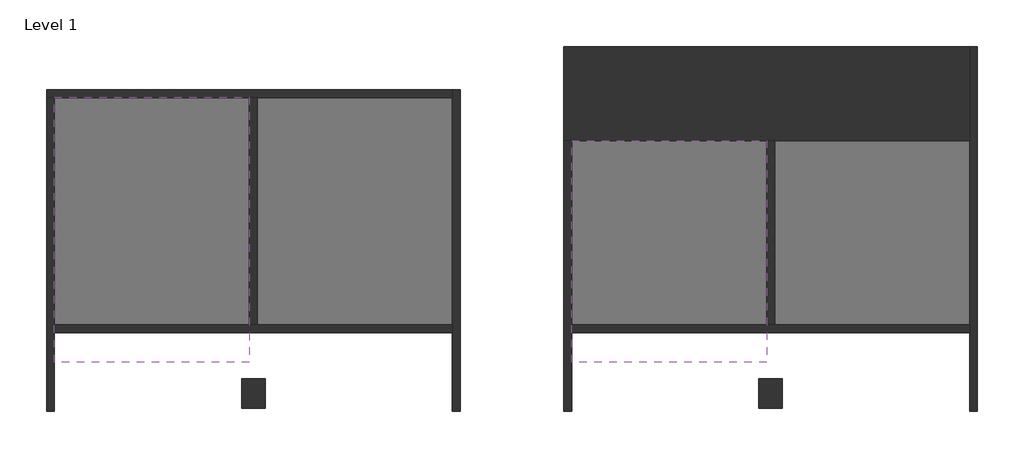
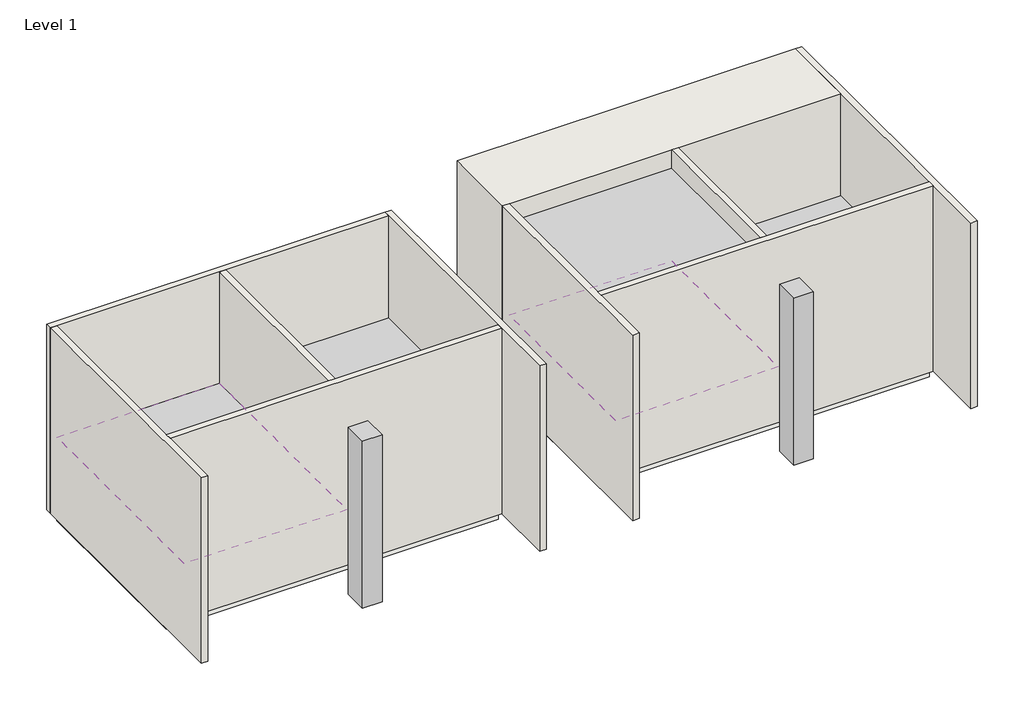
# One storey: 10 walls, 4 proxies, 2 columns, 2 coverings, 2 slabs.
"""IFC4 building model written with IfcOpenShell, lengths in millimetres."""

import ifcopenshell
import ifcopenshell.guid

model = None  # the IFC model being written
_history = None  # IfcOwnerHistory: only IFC2X3 demands one
_inside = {}  # id of a spatial element -> (the spatial element, [elements in it])
_under = {}  # id of a project, library or spatial element -> (it, [spatial elements below it])
_declared = {}  # id of a project -> (the project, [libraries it declares])
_typed = {}  # id of a type object -> (the type object, [elements of that type])
_made_of = {}  # id of a material, layer set ... -> (it, [elements and type objects made of it])


def new_model(schema):
    """Start an empty IFC model of exactly this schema.

    Asked for "IFC4X3", IfcOpenShell would pick the latest addendum, in which some entities
    have other attributes; the version numbers below select the first issue.
    IFC2X3 requires an IfcOwnerHistory on every rooted entity: one is made here for all.
    """
    global model, _history
    if schema == "IFC4X3":
        model = ifcopenshell.file(schema_version=(4, 3, 0, 0))
    else:
        model = ifcopenshell.file(schema=schema)
    _inside.clear()
    _under.clear()
    _declared.clear()
    _typed.clear()
    _made_of.clear()
    _history = None
    if model.schema == "IFC2X3":
        org = make("IfcOrganization", Name="unknown")
        user = make(
            "IfcPersonAndOrganization",
            ThePerson=make("IfcPerson", FamilyName="unknown"),
            TheOrganization=org,
        )
        app = make(
            "IfcApplication",
            ApplicationDeveloper=org,
            Version="unknown",
            ApplicationFullName="unknown",
            ApplicationIdentifier="unknown",
        )
        _history = make(
            "IfcOwnerHistory",
            OwningUser=user,
            OwningApplication=app,
            ChangeAction="ADDED",
            CreationDate=0,
        )
    return model


def make(cls, **values):
    """One entity of the class cls with the attributes given. An attribute that is None is left unset."""
    return model.create_entity(
        cls, **{name: value for name, value in values.items() if value is not None}
    )


def rooted(cls, **values):
    """An entity with a GlobalId (a new one), such as an element, a storey or a relation."""
    return make(cls, GlobalId=ifcopenshell.guid.new(), OwnerHistory=_history, **values)


def si_unit(unit_type, name, prefix=None):
    """IfcSIUnit, for example si_unit("LENGTHUNIT", "METRE", prefix="MILLI")."""
    return make("IfcSIUnit", UnitType=unit_type, Prefix=prefix, Name=name)


def assignment(units):
    """IfcUnitAssignment: the units of a project."""
    return None if units is None else make("IfcUnitAssignment", Units=units)


def point(xyz):
    """IfcCartesianPoint."""
    return None if xyz is None else make("IfcCartesianPoint", Coordinates=xyz)


def direction(xyz):
    """IfcDirection."""
    return None if xyz is None else make("IfcDirection", DirectionRatios=xyz)


def frame(location, z_axis=None, x_axis=None):
    """IfcAxis2Placement3D, a coordinate frame: its origin and axes. An axis left out is left unset."""
    return make(
        "IfcAxis2Placement3D",
        Location=point(location),
        Axis=direction(z_axis),
        RefDirection=direction(x_axis),
    )


def origin():
    """The frame at (0, 0, 0) with its axes left unset."""
    return frame((0.0, 0.0, 0.0))


def origin_with_axes():
    """The frame at (0, 0, 0) with the z axis (0, 0, 1) and the x axis (1, 0, 0) written out."""
    return frame((0.0, 0.0, 0.0), z_axis=(0.0, 0.0, 1.0), x_axis=(1.0, 0.0, 0.0))


def place(relative_to, where):
    """IfcLocalPlacement: puts the frame where relative to a parent placement (None: the world)."""
    return make(
        "IfcLocalPlacement", PlacementRelTo=relative_to, RelativePlacement=where
    )


def context(
    kind, dimensions, precision=None, world=None, true_north=None, identifier=None
):
    """IfcGeometricRepresentationContext, for example the 3D "Model" context."""
    return make(
        "IfcGeometricRepresentationContext",
        ContextIdentifier=identifier,
        ContextType=kind,
        CoordinateSpaceDimension=dimensions,
        Precision=precision,
        WorldCoordinateSystem=world,
        TrueNorth=true_north,
    )


def project(units=None, contexts=None):
    """IfcProject with its units and contexts."""
    return rooted(
        "IfcProject",
        Name="project",
        RepresentationContexts=contexts,
        UnitsInContext=assignment(units),
    )


def spatial(cls, under=None, at=None, **own):
    """A site, building, storey or space (cls), placed at a placement, below another one or the project."""
    s = rooted(cls, ObjectPlacement=at, **own)
    if under is not None:
        _under.setdefault(under.id(), (under, []))[1].append(s)
    return s


def polyline(points):
    """IfcPolyline through the points."""
    return make("IfcPolyline", Points=[point(p) for p in points])


def outline(outer, holes=None, kind="AREA"):
    """IfcArbitraryClosedProfileDef: a profile drawn as a closed curve; with holes, ...WithVoids."""
    if holes is None:
        return make("IfcArbitraryClosedProfileDef", ProfileType=kind, OuterCurve=outer)
    return make(
        "IfcArbitraryProfileDefWithVoids",
        ProfileType=kind,
        OuterCurve=outer,
        InnerCurves=holes,
    )


def extrude(swept, where, along, depth):
    """IfcExtrudedAreaSolid: the profile swept, set in the frame where, extruded along a direction by depth."""
    return make(
        "IfcExtrudedAreaSolid",
        SweptArea=swept,
        Position=where,
        ExtrudedDirection=direction(along),
        Depth=depth,
    )


def faces_of(points, faces, orient=None, outer=None):
    """IfcFace entities. A face is a list of loops; a loop is a list of indices into points, from 0.

    orient and outer hold one flag for each loop. By default every Orientation is true, the
    first loop of a face is its IfcFaceOuterBound and the others are IfcFaceBound.
    """
    made = []
    for i, loops in enumerate(faces):
        bounds = []
        for j, loop in enumerate(loops):
            is_outer = j == 0 if outer is None else outer[i][j]
            bounds.append(
                make(
                    "IfcFaceOuterBound" if is_outer else "IfcFaceBound",
                    Bound=make("IfcPolyLoop", Polygon=[points[k] for k in loop]),
                    Orientation=True if orient is None else orient[i][j],
                )
            )
        made.append(make("IfcFace", Bounds=bounds))
    return made


def faceted_brep(points, faces, orient=None, outer=None, voids=None):
    """IfcFacetedBrep: a solid bounded by flat faces; with voids (closed shells), ...WithVoids."""
    shared = [point(p) for p in points]
    hull = make("IfcClosedShell", CfsFaces=faces_of(shared, faces, orient, outer))
    if voids is None:
        return make("IfcFacetedBrep", Outer=hull)
    return make(
        "IfcFacetedBrepWithVoids",
        Outer=hull,
        Voids=[
            make(cls, CfsFaces=faces_of(shared, fs, o, b)) for cls, fs, o, b in voids
        ],
    )


def shape(context_of_items, identifier, shape_type, items):
    """IfcShapeRepresentation: the items that make up one representation, for example the "Body"."""
    return make(
        "IfcShapeRepresentation",
        ContextOfItems=context_of_items,
        RepresentationIdentifier=identifier,
        RepresentationType=shape_type,
        Items=items,
    )


def source(mapping_origin, context_of_items, identifier, shape_type, items):
    """IfcRepresentationMap: a shape defined once, which mapped items show again and again."""
    return make(
        "IfcRepresentationMap",
        MappingOrigin=mapping_origin,
        MappedRepresentation=shape(context_of_items, identifier, shape_type, items),
    )


def transform(
    local_origin,
    x_axis=None,
    y_axis=None,
    z_axis=None,
    scale=None,
    scale2=None,
    scale3=None,
    uniform=True,
):
    """IfcCartesianTransformationOperator3D, or its non-uniform kind. x_axis, y_axis, z_axis: its Axis1, 2, 3."""
    if uniform:
        return make(
            "IfcCartesianTransformationOperator3D",
            Axis1=direction(x_axis),
            Axis2=direction(y_axis),
            LocalOrigin=point(local_origin),
            Scale=scale,
            Axis3=direction(z_axis),
        )
    return make(
        "IfcCartesianTransformationOperator3DnonUniform",
        Axis1=direction(x_axis),
        Axis2=direction(y_axis),
        LocalOrigin=point(local_origin),
        Scale=scale,
        Axis3=direction(z_axis),
        Scale2=scale2,
        Scale3=scale3,
    )


def mapped(mapping_source, mapping_target):
    """IfcMappedItem: shows the shape of a source again, moved by a transform."""
    return make(
        "IfcMappedItem", MappingSource=mapping_source, MappingTarget=mapping_target
    )


def made_of(thing, what):
    """Note that an element or type object is made of a material, layer set ...; save() writes the relation."""
    if what is not None:
        _made_of.setdefault(what.id(), (what, []))[1].append(thing)
    return thing


def element(
    cls,
    number,
    at=None,
    inside=None,
    cuts=None,
    type_object=None,
    material=None,
    context=None,
    identifier="Body",
    shape_type=None,
    held_by="IfcProductDefinitionShape",
    body=None,
    shapes=None,
    **own,
):
    """One element of the class cls, such as IfcWall. Its Tag is "e" and its number.

    at: its placement. inside: the storey or other place that contains it. cuts: it is an
    opening in that element (IfcRelVoidsElement). A single representation is given by context,
    identifier, shape_type and body (its items); several are given by shapes. held_by: the class
    of the entity that holds the representations. save() writes the other relations.
    """
    e = rooted(cls, Tag="e%d" % number, ObjectPlacement=at, **own)
    if body is not None:
        shapes = [shape(context, identifier, shape_type, body)]
    if shapes is not None:
        e.Representation = make(held_by, Representations=shapes)
    if inside is not None:
        _inside.setdefault(inside.id(), (inside, []))[1].append(e)
    if cuts is not None:
        rooted(
            "IfcRelVoidsElement", RelatingBuildingElement=cuts, RelatedOpeningElement=e
        )
    if type_object is not None:
        _typed.setdefault(type_object.id(), (type_object, []))[1].append(e)
    return made_of(e, material)


def aggregate(whole, parts):
    """IfcRelAggregates: a whole, such as a stair, and the parts it consists of."""
    return rooted("IfcRelAggregates", RelatingObject=whole, RelatedObjects=parts)


def save(model, path):
    """Write the relations noted so far, then the file.

    IfcRelAggregates (storeys below a building ...), IfcRelContainedInSpatialStructure (elements
    in a storey), IfcRelDefinesByType, IfcRelAssociatesMaterial and IfcRelDeclares: one each for
    every whole, place, type object, material and project.
    """
    for whole, parts in _under.values():
        aggregate(whole, parts)
    for where, things in _inside.values():
        rooted(
            "IfcRelContainedInSpatialStructure",
            RelatedElements=things,
            RelatingStructure=where,
        )
    for kind, things in _typed.values():
        rooted("IfcRelDefinesByType", RelatedObjects=things, RelatingType=kind)
    for what, things in _made_of.values():
        rooted("IfcRelAssociatesMaterial", RelatedObjects=things, RelatingMaterial=what)
    for by, libraries in _declared.values():
        rooted("IfcRelDeclares", RelatingContext=by, RelatedDefinitions=libraries)
    model.write(path)


def concrete_rectangular_column_24_x_30_e770feb8(model_context):
    return source(origin(), model_context, "Body", "SweptSolid", [
        extrude(outline(polyline([(304.8, 381.0), (304.8, -381.0), (-304.8, -381.0), (-304.8, 381.0), (304.8, 381.0)])), origin_with_axes(), (0.0, 0.0, 1.0), 5486.4),
    ])


model = new_model("IFC4")

# Units and contexts
model_context = context("Model", 3, world=origin())
ifc_project = project(units=[si_unit("LENGTHUNIT", "METRE", prefix="MILLI")], contexts=[model_context])

# Site, building, storey
site = spatial("IfcSite", under=ifc_project)
building = spatial("IfcBuilding", under=site)
storey = spatial("IfcBuildingStorey", under=building, Name="Level 1", Elevation=0.0)

# Proxies
placement = place(None, origin())
element("IfcBuildingElementProxy", 1, Name="Mass", at=placement, inside=storey, context=model_context, shape_type="SweptSolid", body=[
    extrude(outline(polyline([(7.7511165, 4769.3346961), (5062.3511165, 4769.3346961), (5062.3511165, -1123.4653039), (7.7511165, -1123.4653039), (7.7511165, 4769.3346961)])), origin_with_axes(), (0.0, 0.0, 1.0), 2743.2),
])
element("IfcBuildingElementProxy", 2, Name="Mass", at=placement, inside=storey, context=model_context, shape_type="SweptSolid", body=[
    extrude(outline(polyline([(-5250.0488835, 4769.3346961), (-195.4488835, 4769.3346961), (-195.4488835, -1123.4653039), (-5250.0488835, -1123.4653039), (-5250.0488835, 4769.3346961)])), origin_with_axes(), (0.0, 0.0, 1.0), 2438.4),
])
element("IfcBuildingElementProxy", 3, Name="Mass", at=placement, inside=storey, context=model_context, shape_type="SweptSolid", body=[
    extrude(outline(polyline([(8161.1511165, 3651.7346961), (13215.7511165, 3651.7346961), (13215.7511165, -1123.4653039), (8161.1511165, -1123.4653039), (8161.1511165, 3651.7346961)])), origin_with_axes(), (0.0, 0.0, 1.0), 5486.4),
])
element("IfcBuildingElementProxy", 4, Name="Mass", at=placement, inside=storey, context=model_context, shape_type="SweptSolid", body=[
    extrude(outline(polyline([(13418.9511165, 3651.7346961), (18473.5511165, 3651.7346961), (18473.5511165, -1123.4653039), (13418.9511165, -1123.4653039), (13418.9511165, 3651.7346961)])), origin_with_axes(), (0.0, 0.0, 1.0), 2743.2),
])

# Columns
concrete_rectangular_column_24_x_30_shape = concrete_rectangular_column_24_x_30_e770feb8(model_context)
element("IfcColumn", 5, ObjectType="Concrete-Rectangular-Column : 24 x 30", at=placement, inside=storey, context=model_context, shape_type="MappedRepresentation", body=[
    mapped(concrete_rectangular_column_24_x_30_shape, transform((-93.8488835, -2901.4653039, 0.0), x_axis=(1.0, 0.0, 0.0), y_axis=(0.0, 1.0, 0.0), z_axis=(0.0, 0.0, 1.0))),
])
element("IfcColumn", 6, ObjectType="Concrete-Rectangular-Column : 24 x 30", at=placement, inside=storey, context=model_context, shape_type="MappedRepresentation", body=[
    mapped(concrete_rectangular_column_24_x_30_shape, transform((13317.3511165, -2901.4653039, 0.0), x_axis=(1.0, 0.0, 0.0), y_axis=(0.0, 1.0, 0.0), z_axis=(0.0, 0.0, 1.0))),
])

# Coverings
element("IfcCovering", 7, ObjectType="2' x 4' ACT System", at=placement, inside=storey, context=model_context, shape_type="SweptSolid", body=[
    extrude(outline(polyline([(-195.4488835, 4769.3346961), (-195.4488835, -2088.6653039), (-5250.0488835, -2088.6653039), (-5250.0488835, 4769.3346961), (-195.4488835, 4769.3346961)])), frame((0.0, 0.0, 2438.4), z_axis=(0.0, 0.0, 1.0), x_axis=(1.0, 0.0, 0.0)), (0.0, 0.0, 1.0), 57.15),
])
element("IfcCovering", 8, ObjectType="2' x 4' ACT System", at=placement, inside=storey, context=model_context, shape_type="SweptSolid", body=[
    extrude(outline(polyline([(13215.7511165, 3651.7346961), (13215.7511165, -2088.6653039), (8161.1511165, -2088.6653039), (8161.1511165, 3651.7346961), (13215.7511165, 3651.7346961)])), frame((0.0, 0.0, 2438.4), z_axis=(0.0, 0.0, 1.0), x_axis=(1.0, 0.0, 0.0)), (0.0, 0.0, 1.0), 57.15),
])

# Slabs
element("IfcSlab", 9, ObjectType="Generic - 12\"", at=placement, inside=storey, context=model_context, shape_type="SweptSolid", body=[
    extrude(outline(polyline([(5062.3511165, 4769.3346961), (5062.3511165, -1123.4653039), (-5250.0488835, -1123.4653039), (-5250.0488835, 4769.3346961), (5062.3511165, 4769.3346961)])), frame((0.0, 0.0, -304.8), z_axis=(0.0, 0.0, 1.0), x_axis=(1.0, 0.0, 0.0)), (0.0, 0.0, 1.0), 304.8),
])
element("IfcSlab", 10, ObjectType="Generic - 12\"", at=placement, inside=storey, context=model_context, shape_type="SweptSolid", body=[
    extrude(outline(polyline([(18473.5511165, 3651.7346961), (18473.5511165, -1123.4653039), (8161.1511165, -1123.4653039), (8161.1511165, 3651.7346961), (18473.5511165, 3651.7346961)])), frame((0.0, 0.0, -304.8), z_axis=(0.0, 0.0, 1.0), x_axis=(1.0, 0.0, 0.0)), (0.0, 0.0, 1.0), 304.8),
])

# Walls
element("IfcWall", 11, ObjectType="Generic - 8\"", at=placement, inside=storey, context=model_context, shape_type="Brep", body=[
    faceted_brep([(-5453.2488835, 4769.3346961, 0.0), (-5250.0488835, 4769.3346961, 0.0), (-195.4488835, 4769.3346961, 0.0), (7.7511165, 4769.3346961, 0.0), (5062.3511165, 4769.3346961, 0.0), (5062.3511165, 4769.3346961, 6096.0), (7.7511165, 4769.3346961, 6096.0), (-195.4488835, 4769.3346961, 6096.0), (-5250.0488835, 4769.3346961, 6096.0), (-5453.2488835, 4769.3346961, 6096.0), (-5453.2488835, 4972.5346961, 0.0), (-5453.2488835, 4972.5346961, 6096.0), (5062.3511165, 4972.5346961, 6096.0), (5062.3511165, 4972.5346961, 0.0)], [[[0, 1, 2, 3, 4, 5, 6, 7, 8, 9]], [[10, 11, 12, 13]], [[4, 3, 2, 1, 0, 10, 13]], [[9, 8, 7, 6, 5, 12, 11]], [[0, 9, 11, 10]], [[5, 4, 13, 12]]]),
])
element("IfcWall", 12, ObjectType="Generic - 8\"", at=placement, inside=storey, context=model_context, shape_type="Brep", body=[
    faceted_brep([(-5250.0488835, -3358.6653039, 0.0), (-5250.0488835, -1326.6653039, 0.0), (-5250.0488835, -1123.4653039, 0.0), (-5250.0488835, 4769.3346961, 0.0), (-5250.0488835, 4769.3346961, 6096.0), (-5250.0488835, -1123.4653039, 6096.0), (-5250.0488835, -1326.6653039, 6096.0), (-5250.0488835, -3358.6653039, 6096.0), (-5453.2488835, -3358.6653039, 0.0), (-5453.2488835, -3358.6653039, 6096.0), (-5453.2488835, 4769.3346961, 6096.0), (-5453.2488835, 4769.3346961, 0.0)], [[[0, 1, 2, 3, 4, 5, 6, 7]], [[8, 9, 10, 11]], [[3, 2, 1, 0, 8, 11]], [[7, 6, 5, 4, 10, 9]], [[0, 7, 9, 8]], [[4, 3, 11, 10]]]),
])
element("IfcWall", 13, ObjectType="Generic - 8\"", at=placement, inside=storey, context=model_context, shape_type="Brep", body=[
    faceted_brep([(5062.3511165, -1123.4653039, 0.0), (7.7511165, -1123.4653039, 0.0), (-195.4488835, -1123.4653039, 0.0), (-5250.0488835, -1123.4653039, 0.0), (-5250.0488835, -1123.4653039, 6096.0), (-195.4488835, -1123.4653039, 6096.0), (7.7511165, -1123.4653039, 6096.0), (5062.3511165, -1123.4653039, 6096.0), (5062.3511165, -1326.6653039, 0.0), (5062.3511165, -1326.6653039, 6096.0), (-5250.0488835, -1326.6653039, 6096.0), (-5250.0488835, -1326.6653039, 0.0)], [[[0, 1, 2, 3, 4, 5, 6, 7]], [[8, 9, 10, 11]], [[3, 2, 1, 0, 8, 11]], [[7, 6, 5, 4, 10, 9]], [[4, 3, 11, 10]], [[0, 7, 9, 8]]]),
])
element("IfcWall", 14, ObjectType="Generic - 8\"", at=placement, inside=storey, context=model_context, shape_type="Brep", body=[
    faceted_brep([(5062.3511165, 4972.5346961, 0.0), (5062.3511165, 4769.3346961, 0.0), (5062.3511165, -1123.4653039, 0.0), (5062.3511165, -1326.6653039, 0.0), (5062.3511165, -3358.6653039, 0.0), (5062.3511165, -3358.6653039, 6096.0), (5062.3511165, -1326.6653039, 6096.0), (5062.3511165, -1123.4653039, 6096.0), (5062.3511165, 4769.3346961, 6096.0), (5062.3511165, 4972.5346961, 6096.0), (5265.5511165, 4972.5346961, 0.0), (5265.5511165, 4972.5346961, 6096.0), (5265.5511165, -3358.6653039, 6096.0), (5265.5511165, -3358.6653039, 0.0)], [[[0, 1, 2, 3, 4, 5, 6, 7, 8, 9]], [[10, 11, 12, 13]], [[4, 3, 2, 1, 0, 10, 13]], [[5, 4, 13, 12]], [[9, 8, 7, 6, 5, 12, 11]], [[0, 9, 11, 10]]]),
])
element("IfcWall", 15, ObjectType="Generic - 8\"", at=placement, inside=storey, context=model_context, shape_type="SweptSolid", body=[
    extrude(outline(polyline([(-195.4488835, -1123.4653039), (-195.4488835, 4769.3346961), (7.7511165, 4769.3346961), (7.7511165, -1123.4653039), (-195.4488835, -1123.4653039)])), origin_with_axes(), (0.0, 0.0, 1.0), 6096.0),
])
element("IfcWall", 16, ObjectType="Generic - 8\"", at=placement, inside=storey, context=model_context, shape_type="Brep", body=[
    faceted_brep([(8161.1511165, -3358.6653039, 0.0), (8161.1511165, -1326.6653039, 0.0), (8161.1511165, -1123.4653039, 0.0), (8161.1511165, 3651.7346961, 0.0), (8161.1511165, 3651.7346961, 6096.0), (8161.1511165, -1123.4653039, 6096.0), (8161.1511165, -1326.6653039, 6096.0), (8161.1511165, -3358.6653039, 6096.0), (7957.9511165, -3358.6653039, 0.0), (7957.9511165, -3358.6653039, 6096.0), (7957.9511165, 3651.7346961, 6096.0), (7957.9511165, 3651.7346961, 0.0)], [[[0, 1, 2, 3, 4, 5, 6, 7]], [[8, 9, 10, 11]], [[3, 2, 1, 0, 8, 11]], [[7, 6, 5, 4, 10, 9]], [[0, 7, 9, 8]], [[4, 3, 11, 10]]]),
])
element("IfcWall", 17, ObjectType="Generic - 8\"", at=placement, inside=storey, context=model_context, shape_type="Brep", body=[
    faceted_brep([(18473.5511165, -1123.4653039, 0.0), (13418.9511165, -1123.4653039, 0.0), (13215.7511165, -1123.4653039, 0.0), (8161.1511165, -1123.4653039, 0.0), (8161.1511165, -1123.4653039, 6096.0), (13215.7511165, -1123.4653039, 6096.0), (13418.9511165, -1123.4653039, 6096.0), (18473.5511165, -1123.4653039, 6096.0), (18473.5511165, -1326.6653039, 0.0), (18473.5511165, -1326.6653039, 6096.0), (8161.1511165, -1326.6653039, 6096.0), (8161.1511165, -1326.6653039, 0.0)], [[[0, 1, 2, 3, 4, 5, 6, 7]], [[8, 9, 10, 11]], [[3, 2, 1, 0, 8, 11]], [[7, 6, 5, 4, 10, 9]], [[4, 3, 11, 10]], [[0, 7, 9, 8]]]),
])
element("IfcWall", 18, ObjectType="Generic - 8\"", at=placement, inside=storey, context=model_context, shape_type="Brep", body=[
    faceted_brep([(18473.5511165, 6090.1346961, 0.0), (18473.5511165, 3651.7346961, 0.0), (18473.5511165, -1123.4653039, 0.0), (18473.5511165, -1326.6653039, 0.0), (18473.5511165, -3358.6653039, 0.0), (18473.5511165, -3358.6653039, 6096.0), (18473.5511165, -1326.6653039, 6096.0), (18473.5511165, -1123.4653039, 6096.0), (18473.5511165, 3651.7346961, 6096.0), (18473.5511165, 6090.1346961, 6096.0), (18676.7511165, 6090.1346961, 0.0), (18676.7511165, 6090.1346961, 6096.0), (18676.7511165, -3358.6653039, 6096.0), (18676.7511165, -3358.6653039, 0.0)], [[[0, 1, 2, 3, 4, 5, 6, 7, 8, 9]], [[10, 11, 12, 13]], [[4, 3, 2, 1, 0, 10, 13]], [[5, 4, 13, 12]], [[9, 8, 7, 6, 5, 12, 11]], [[0, 9, 11, 10]]]),
])
element("IfcWall", 19, ObjectType="Generic - 8\"", at=placement, inside=storey, context=model_context, shape_type="SweptSolid", body=[
    extrude(outline(polyline([(13215.7511165, -1123.4653039), (13215.7511165, 3651.7346961), (13418.9511165, 3651.7346961), (13418.9511165, -1123.4653039), (13215.7511165, -1123.4653039)])), origin_with_axes(), (0.0, 0.0, 1.0), 6096.0),
])
element("IfcWall", 20, ObjectType="Generic - 8'", at=placement, inside=storey, context=model_context, shape_type="Brep", body=[
    faceted_brep([(7957.9511165, 3651.7346961, 0.0), (8161.1511165, 3651.7346961, 0.0), (13215.7511165, 3651.7346961, 0.0), (13418.9511165, 3651.7346961, 0.0), (18473.5511165, 3651.7346961, 0.0), (18473.5511165, 3651.7346961, 6096.0), (13418.9511165, 3651.7346961, 6096.0), (13215.7511165, 3651.7346961, 6096.0), (8161.1511165, 3651.7346961, 6096.0), (7957.9511165, 3651.7346961, 6096.0), (7957.9511165, 6090.1346961, 0.0), (7957.9511165, 6090.1346961, 6096.0), (18473.5511165, 6090.1346961, 6096.0), (18473.5511165, 6090.1346961, 0.0)], [[[0, 1, 2, 3, 4, 5, 6, 7, 8, 9]], [[10, 11, 12, 13]], [[4, 3, 2, 1, 0, 10, 13]], [[9, 8, 7, 6, 5, 12, 11]], [[0, 9, 11, 10]], [[5, 4, 13, 12]]]),
])

save(model, "model.ifc")
